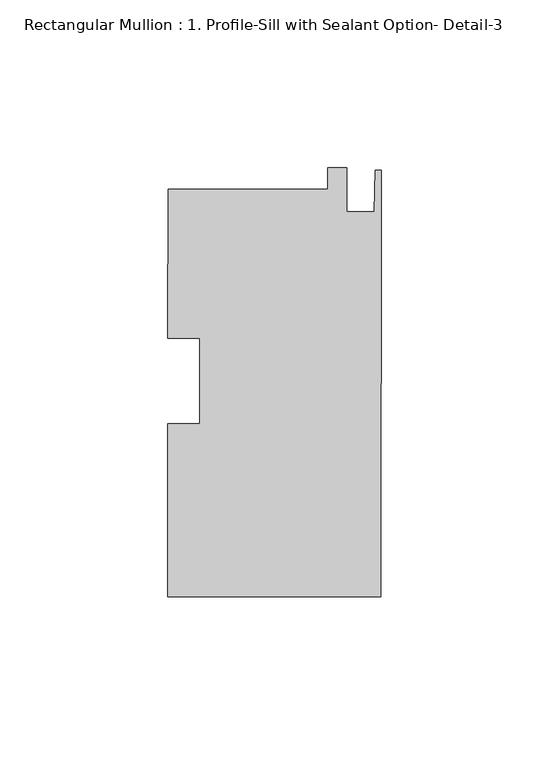
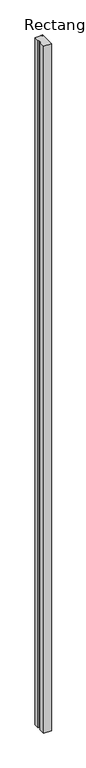
"""IFC4 building model written with IfcOpenShell, lengths in millimetres: member geometry, Rectangular Mullion : 1. Profile-Sill with Sealant Option- Detail-3."""

from ifc_helpers import new_model, si_unit, frame, origin, place, context, project, spatial, polyline, outline, extrude, source, transform, mapped, element, save


def rectangular_mullion_1_profile_sill_with_sealant_option_2a2e4589(model_context):
    return source(origin(), model_context, "Body", "SweptSolid", [
        extrude(outline(polyline([(-15.8785297, 57.0944487), (-15.8744967, 63.4444474), (-10.3118978, 63.4409144), (-10.3202382, 50.3091171), (-2.0398398, 50.303858), (-1.7779996, 62.6480942), (0.0, 62.6469649), (-0.0806567, -64.3465324), (-63.5806439, -64.306202), (-63.5479185, -12.7802285), (-54.0229204, -12.7862781), (-54.0067326, 12.7014151), (-63.5317306, 12.7074647), (-63.5035201, 57.1246965), (-15.8785297, 57.0944487)])), frame((0.0, 0.0, -6000.75), z_axis=(0.0, 0.0, 1.0), x_axis=(1.0, 0.0, 0.0)), (0.0, 0.0, 1.0), 6000.75),
    ])


if __name__ == "__main__":
    model = new_model("IFC4")
    model_context = context("Model", 3, world=origin())
    ifc_project = project(units=[si_unit("LENGTHUNIT", "METRE", prefix="MILLI")], contexts=[model_context])
    site = spatial("IfcSite", under=ifc_project)
    building = spatial("IfcBuilding", under=site)
    placement = place(None, origin())
    rectangular_mullion_1_profile_sill_with_sealant_option_shape = rectangular_mullion_1_profile_sill_with_sealant_option_2a2e4589(model_context)
    element("IfcMember", 1, ObjectType="Rectangular Mullion : 1. Profile-Sill with Sealant Option- Detail-3", at=placement, inside=building, context=model_context, shape_type="MappedRepresentation", body=[
        mapped(rectangular_mullion_1_profile_sill_with_sealant_option_shape, transform((0.0, 0.0, 0.0), x_axis=(1.0, 0.0, 0.0), y_axis=(0.0, 1.0, 0.0), z_axis=(0.0, 0.0, 1.0))),
    ])
    save(model, "model.ifc")
